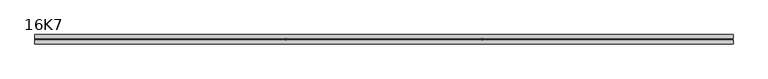
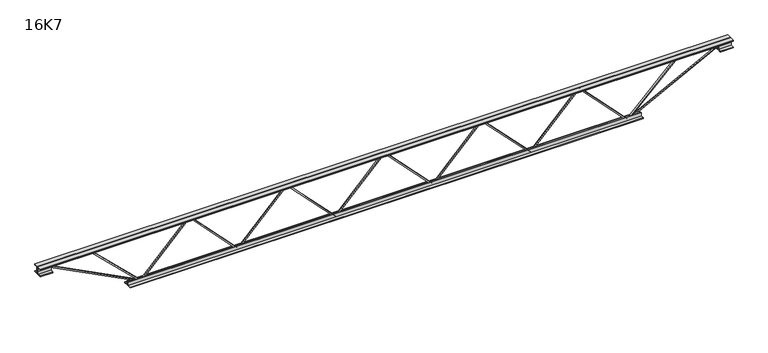
"""IFC4 building model written with IfcOpenShell, lengths in millimetres: beam geometry, 16K7."""

import ifcopenshell
import ifcopenshell.guid

model = None  # the IFC model being written
_history = None  # IfcOwnerHistory: only IFC2X3 demands one
_inside = {}  # id of a spatial element -> (the spatial element, [elements in it])
_under = {}  # id of a project, library or spatial element -> (it, [spatial elements below it])
_declared = {}  # id of a project -> (the project, [libraries it declares])
_typed = {}  # id of a type object -> (the type object, [elements of that type])
_made_of = {}  # id of a material, layer set ... -> (it, [elements and type objects made of it])


def new_model(schema):
    """Start an empty IFC model of exactly this schema.

    Asked for "IFC4X3", IfcOpenShell would pick the latest addendum, in which some entities
    have other attributes; the version numbers below select the first issue.
    IFC2X3 requires an IfcOwnerHistory on every rooted entity: one is made here for all.
    """
    global model, _history
    if schema == "IFC4X3":
        model = ifcopenshell.file(schema_version=(4, 3, 0, 0))
    else:
        model = ifcopenshell.file(schema=schema)
    _inside.clear()
    _under.clear()
    _declared.clear()
    _typed.clear()
    _made_of.clear()
    _history = None
    if model.schema == "IFC2X3":
        org = make("IfcOrganization", Name="unknown")
        user = make(
            "IfcPersonAndOrganization",
            ThePerson=make("IfcPerson", FamilyName="unknown"),
            TheOrganization=org,
        )
        app = make(
            "IfcApplication",
            ApplicationDeveloper=org,
            Version="unknown",
            ApplicationFullName="unknown",
            ApplicationIdentifier="unknown",
        )
        _history = make(
            "IfcOwnerHistory",
            OwningUser=user,
            OwningApplication=app,
            ChangeAction="ADDED",
            CreationDate=0,
        )
    return model


def make(cls, **values):
    """One entity of the class cls with the attributes given. An attribute that is None is left unset."""
    return model.create_entity(
        cls, **{name: value for name, value in values.items() if value is not None}
    )


def rooted(cls, **values):
    """An entity with a GlobalId (a new one), such as an element, a storey or a relation."""
    return make(cls, GlobalId=ifcopenshell.guid.new(), OwnerHistory=_history, **values)


def si_unit(unit_type, name, prefix=None):
    """IfcSIUnit, for example si_unit("LENGTHUNIT", "METRE", prefix="MILLI")."""
    return make("IfcSIUnit", UnitType=unit_type, Prefix=prefix, Name=name)


def assignment(units):
    """IfcUnitAssignment: the units of a project."""
    return None if units is None else make("IfcUnitAssignment", Units=units)


def point(xyz):
    """IfcCartesianPoint."""
    return None if xyz is None else make("IfcCartesianPoint", Coordinates=xyz)


def direction(xyz):
    """IfcDirection."""
    return None if xyz is None else make("IfcDirection", DirectionRatios=xyz)


def frame(location, z_axis=None, x_axis=None):
    """IfcAxis2Placement3D, a coordinate frame: its origin and axes. An axis left out is left unset."""
    return make(
        "IfcAxis2Placement3D",
        Location=point(location),
        Axis=direction(z_axis),
        RefDirection=direction(x_axis),
    )


def origin():
    """The frame at (0, 0, 0) with its axes left unset."""
    return frame((0.0, 0.0, 0.0))


def place(relative_to, where):
    """IfcLocalPlacement: puts the frame where relative to a parent placement (None: the world)."""
    return make(
        "IfcLocalPlacement", PlacementRelTo=relative_to, RelativePlacement=where
    )


def context(
    kind, dimensions, precision=None, world=None, true_north=None, identifier=None
):
    """IfcGeometricRepresentationContext, for example the 3D "Model" context."""
    return make(
        "IfcGeometricRepresentationContext",
        ContextIdentifier=identifier,
        ContextType=kind,
        CoordinateSpaceDimension=dimensions,
        Precision=precision,
        WorldCoordinateSystem=world,
        TrueNorth=true_north,
    )


def project(units=None, contexts=None):
    """IfcProject with its units and contexts."""
    return rooted(
        "IfcProject",
        Name="project",
        RepresentationContexts=contexts,
        UnitsInContext=assignment(units),
    )


def spatial(cls, under=None, at=None, **own):
    """A site, building, storey or space (cls), placed at a placement, below another one or the project."""
    s = rooted(cls, ObjectPlacement=at, **own)
    if under is not None:
        _under.setdefault(under.id(), (under, []))[1].append(s)
    return s


def polyline(points):
    """IfcPolyline through the points."""
    return make("IfcPolyline", Points=[point(p) for p in points])


def outline(outer, holes=None, kind="AREA"):
    """IfcArbitraryClosedProfileDef: a profile drawn as a closed curve; with holes, ...WithVoids."""
    if holes is None:
        return make("IfcArbitraryClosedProfileDef", ProfileType=kind, OuterCurve=outer)
    return make(
        "IfcArbitraryProfileDefWithVoids",
        ProfileType=kind,
        OuterCurve=outer,
        InnerCurves=holes,
    )


def extrude(swept, where, along, depth):
    """IfcExtrudedAreaSolid: the profile swept, set in the frame where, extruded along a direction by depth."""
    return make(
        "IfcExtrudedAreaSolid",
        SweptArea=swept,
        Position=where,
        ExtrudedDirection=direction(along),
        Depth=depth,
    )


def shape(context_of_items, identifier, shape_type, items):
    """IfcShapeRepresentation: the items that make up one representation, for example the "Body"."""
    return make(
        "IfcShapeRepresentation",
        ContextOfItems=context_of_items,
        RepresentationIdentifier=identifier,
        RepresentationType=shape_type,
        Items=items,
    )


def source(mapping_origin, context_of_items, identifier, shape_type, items):
    """IfcRepresentationMap: a shape defined once, which mapped items show again and again."""
    return make(
        "IfcRepresentationMap",
        MappingOrigin=mapping_origin,
        MappedRepresentation=shape(context_of_items, identifier, shape_type, items),
    )


def transform(
    local_origin,
    x_axis=None,
    y_axis=None,
    z_axis=None,
    scale=None,
    scale2=None,
    scale3=None,
    uniform=True,
):
    """IfcCartesianTransformationOperator3D, or its non-uniform kind. x_axis, y_axis, z_axis: its Axis1, 2, 3."""
    if uniform:
        return make(
            "IfcCartesianTransformationOperator3D",
            Axis1=direction(x_axis),
            Axis2=direction(y_axis),
            LocalOrigin=point(local_origin),
            Scale=scale,
            Axis3=direction(z_axis),
        )
    return make(
        "IfcCartesianTransformationOperator3DnonUniform",
        Axis1=direction(x_axis),
        Axis2=direction(y_axis),
        LocalOrigin=point(local_origin),
        Scale=scale,
        Axis3=direction(z_axis),
        Scale2=scale2,
        Scale3=scale3,
    )


def mapped(mapping_source, mapping_target):
    """IfcMappedItem: shows the shape of a source again, moved by a transform."""
    return make(
        "IfcMappedItem", MappingSource=mapping_source, MappingTarget=mapping_target
    )


def made_of(thing, what):
    """Note that an element or type object is made of a material, layer set ...; save() writes the relation."""
    if what is not None:
        _made_of.setdefault(what.id(), (what, []))[1].append(thing)
    return thing


def element(
    cls,
    number,
    at=None,
    inside=None,
    cuts=None,
    type_object=None,
    material=None,
    context=None,
    identifier="Body",
    shape_type=None,
    held_by="IfcProductDefinitionShape",
    body=None,
    shapes=None,
    **own,
):
    """One element of the class cls, such as IfcWall. Its Tag is "e" and its number.

    at: its placement. inside: the storey or other place that contains it. cuts: it is an
    opening in that element (IfcRelVoidsElement). A single representation is given by context,
    identifier, shape_type and body (its items); several are given by shapes. held_by: the class
    of the entity that holds the representations. save() writes the other relations.
    """
    e = rooted(cls, Tag="e%d" % number, ObjectPlacement=at, **own)
    if body is not None:
        shapes = [shape(context, identifier, shape_type, body)]
    if shapes is not None:
        e.Representation = make(held_by, Representations=shapes)
    if inside is not None:
        _inside.setdefault(inside.id(), (inside, []))[1].append(e)
    if cuts is not None:
        rooted(
            "IfcRelVoidsElement", RelatingBuildingElement=cuts, RelatedOpeningElement=e
        )
    if type_object is not None:
        _typed.setdefault(type_object.id(), (type_object, []))[1].append(e)
    return made_of(e, material)


def aggregate(whole, parts):
    """IfcRelAggregates: a whole, such as a stair, and the parts it consists of."""
    return rooted("IfcRelAggregates", RelatingObject=whole, RelatedObjects=parts)


def save(model, path):
    """Write the relations noted so far, then the file.

    IfcRelAggregates (storeys below a building ...), IfcRelContainedInSpatialStructure (elements
    in a storey), IfcRelDefinesByType, IfcRelAssociatesMaterial and IfcRelDeclares: one each for
    every whole, place, type object, material and project.
    """
    for whole, parts in _under.values():
        aggregate(whole, parts)
    for where, things in _inside.values():
        rooted(
            "IfcRelContainedInSpatialStructure",
            RelatedElements=things,
            RelatingStructure=where,
        )
    for kind, things in _typed.values():
        rooted("IfcRelDefinesByType", RelatedObjects=things, RelatingType=kind)
    for what, things in _made_of.values():
        rooted("IfcRelAssociatesMaterial", RelatedObjects=things, RelatingMaterial=what)
    for by, libraries in _declared.values():
        rooted("IfcRelDeclares", RelatingContext=by, RelatedDefinitions=libraries)
    model.write(path)


def beam_16k7_29c213fa(model_context):
    return source(origin(), model_context, "Body", "SweptSolid", [
        extrude(outline(polyline([(-191.9, 385.2), (-201.4, 385.2), (-201.4, 390.3947838), (191.9, 769.2447838), (191.9, 771.5552162), (-201.4, 1150.4052162), (-201.4, 1155.6), (-191.9, 1155.6), (-191.9, 1154.4447838), (201.4, 775.5947838), (201.4, 765.2052162), (-191.9, 386.3552162), (-191.9, 385.2)])), frame((0.0, -4.75, 0.0), z_axis=(0.0, 1.0, 0.0), x_axis=(0.0, 0.0, 1.0)), (0.0, 0.0, 1.0), 9.5),
        extrude(outline(polyline([(-191.9, -385.2), (-201.4, -385.2), (-201.4, -380.0052162), (191.9, -1.1552162), (191.9, 1.1552162), (-201.4, 380.0052162), (-201.4, 385.2), (-191.9, 385.2), (-191.9, 384.0447838), (201.4, 5.1947838), (201.4, -5.1947838), (-191.9, -384.0447838), (-191.9, -385.2)])), frame((0.0, -4.75, 0.0), z_axis=(0.0, 1.0, 0.0), x_axis=(0.0, 0.0, 1.0)), (0.0, 0.0, 1.0), 9.5),
        extrude(outline(polyline([(-191.9, -1155.6), (-201.4, -1155.6), (-201.4, -1150.4052162), (191.9, -771.5552162), (191.9, -769.2447838), (-201.4, -390.3947838), (-201.4, -385.2), (-191.9, -385.2), (-191.9, -386.3552162), (201.4, -765.2052162), (201.4, -775.5947838), (-191.9, -1154.4447838), (-191.9, -1155.6)])), frame((0.0, -4.75, 0.0), z_axis=(0.0, 1.0, 0.0), x_axis=(0.0, 0.0, 1.0)), (0.0, 0.0, 1.0), 9.5),
        extrude(outline(polyline([(-191.9, 1155.6), (-201.4, 1155.6), (-201.4, 1160.7947838), (191.9, 1539.6447838), (191.9, 1541.9552162), (-201.4, 1920.8052162), (-201.4, 1926.0), (-191.9, 1926.0), (-191.9, 1924.8447838), (201.4, 1545.9947838), (201.4, 1535.6052162), (-191.9, 1156.7552162), (-191.9, 1155.6)])), frame((0.0, -4.75, 0.0), z_axis=(0.0, 1.0, 0.0), x_axis=(0.0, 0.0, 1.0)), (0.0, 0.0, 1.0), 9.5),
        extrude(outline(polyline([(-191.9, -1926.0), (-201.4, -1926.0), (-201.4, -1920.8052162), (191.9, -1541.9552162), (191.9, -1539.6447838), (-201.4, -1160.7947838), (-201.4, -1155.6), (-191.9, -1155.6), (-191.9, -1156.7552162), (201.4, -1535.6052162), (201.4, -1545.9947838), (-191.9, -1924.8447838), (-191.9, -1926.0)])), frame((0.0, -4.75, 0.0), z_axis=(0.0, 1.0, 0.0), x_axis=(0.0, 0.0, 1.0)), (0.0, 0.0, 1.0), 9.5),
        extrude(outline(polyline([(4.75, 203.0), (36.75, 203.0), (36.75, 196.5), (11.25, 196.5), (11.25, 171.0), (4.75, 171.0), (4.75, 203.0)])), frame((-2738.0, 0.0, 0.0), z_axis=(1.0, 0.0, 0.0), x_axis=(0.0, 1.0, 0.0)), (0.0, 0.0, 1.0), 5476.0),
        extrude(outline(polyline([(-4.75, 203.0), (-4.75, 171.0), (-11.25, 171.0), (-11.25, 196.5), (-36.75, 196.5), (-36.75, 203.0), (-4.75, 203.0)])), frame((-2738.0, 0.0, 0.0), z_axis=(1.0, 0.0, 0.0), x_axis=(0.0, 1.0, 0.0)), (0.0, 0.0, 1.0), 5476.0),
        extrude(outline(polyline([(-4.75, 139.5), (-36.75, 139.5), (-36.75, 146.0), (-11.25, 146.0), (-11.25, 171.0), (-4.75, 171.0), (-4.75, 139.5)])), frame((-2738.0, 0.0, 0.0), z_axis=(1.0, 0.0, 0.0), x_axis=(0.0, 1.0, 0.0)), (0.0, 0.0, 1.0), 100.0),
        extrude(outline(polyline([(36.75, 139.5), (4.75, 139.5), (4.75, 171.0), (11.25, 171.0), (11.25, 146.0), (36.75, 146.0), (36.75, 139.5)])), frame((-2738.0, 0.0, 0.0), z_axis=(1.0, 0.0, 0.0), x_axis=(0.0, 1.0, 0.0)), (0.0, 0.0, 1.0), 100.0),
        extrude(outline(polyline([(4.75, 139.5), (4.75, 171.0), (11.25, 171.0), (11.25, 146.0), (36.75, 146.0), (36.75, 139.5), (4.75, 139.5)])), frame((2638.0, 0.0, 0.0), z_axis=(1.0, 0.0, 0.0), x_axis=(0.0, 1.0, 0.0)), (0.0, 0.0, 1.0), 100.0),
        extrude(outline(polyline([(-4.75, 139.5), (-36.75, 139.5), (-36.75, 146.0), (-11.25, 146.0), (-11.25, 171.0), (-4.75, 171.0), (-4.75, 139.5)])), frame((2638.0, 0.0, 0.0), z_axis=(1.0, 0.0, 0.0), x_axis=(0.0, 1.0, 0.0)), (0.0, 0.0, 1.0), 100.0),
        extrude(outline(polyline([(4.75, -203.0), (4.75, -171.0), (11.25, -171.0), (11.25, -196.5), (36.75, -196.5), (36.75, -203.0), (4.75, -203.0)])), frame((-2026.0, 0.0, 0.0), z_axis=(1.0, 0.0, 0.0), x_axis=(0.0, 1.0, 0.0)), (0.0, 0.0, 1.0), 4052.0),
        extrude(outline(polyline([(-4.75, -203.0), (-36.75, -203.0), (-36.75, -196.5), (-11.25, -196.5), (-11.25, -171.0), (-4.75, -171.0), (-4.75, -203.0)])), frame((-2026.0, 0.0, 0.0), z_axis=(1.0, 0.0, 0.0), x_axis=(0.0, 1.0, 0.0)), (0.0, 0.0, 1.0), 4052.0),
        extrude(outline(polyline([(-200.8705467, -1928.1793315), (-192.4294533, -1923.8206685), (175.75, -2636.8460208), (175.75, -2738.0), (166.25, -2738.0), (166.25, -2639.1539792), (-200.8705467, -1928.1793315)])), frame((0.0, -4.75, 0.0), z_axis=(0.0, 1.0, 0.0), x_axis=(0.0, 0.0, 1.0)), (0.0, 0.0, 1.0), 9.5),
        extrude(outline(polyline([(188.7, -2331.1571429), (179.2, -2331.1571429), (179.2, -2320.3821172), (-200.0598727, -1929.3068517), (-193.2401273, -1922.6931483), (188.7, -2316.5321685), (188.7, -2331.1571429)])), frame((0.0, -4.75, 0.0), z_axis=(0.0, 1.0, 0.0), x_axis=(0.0, 0.0, 1.0)), (0.0, 0.0, 1.0), 9.5),
        extrude(outline(polyline([(0.0, -9.5), (0.0, 0.0), (801.3179909, 0.0), (801.3179909, -9.5), (0.0, -9.5)])), frame((2640.1793315, -4.75, 166.7794533), z_axis=(-0.4588066213244954, 0.0, 0.8885361468329812), x_axis=(-0.8885361468329812, 0.0, -0.4588066213244954)), (0.0, 0.0, 1.0), 9.5),
        extrude(outline(polyline([(0.0, -9.5), (0.0, 0.0), (560.7641217, 0.0), (560.7641217, -9.5), (0.0, -9.5)])), frame((2329.0457667, -4.75, 193.2641863), z_axis=(-0.7013644146785599, 0.0, 0.7128028884780148), x_axis=(-0.7128028884780148, 0.0, -0.7013644146785599)), (0.0, 0.0, 1.0), 9.5),
    ])


if __name__ == "__main__":
    model = new_model("IFC4")
    model_context = context("Model", 3, world=origin())
    ifc_project = project(units=[si_unit("LENGTHUNIT", "METRE", prefix="MILLI")], contexts=[model_context])
    site = spatial("IfcSite", under=ifc_project)
    building = spatial("IfcBuilding", under=site)
    placement = place(None, origin())
    beam_16k7_shape = beam_16k7_29c213fa(model_context)
    element("IfcBeam", 1, ObjectType="16K7", at=placement, inside=building, context=model_context, shape_type="MappedRepresentation", body=[
        mapped(beam_16k7_shape, transform((0.0, 0.0, 0.0), x_axis=(1.0, 0.0, 0.0), y_axis=(0.0, 1.0, 0.0), z_axis=(0.0, 0.0, 1.0))),
    ])
    save(model, "model.ifc")
